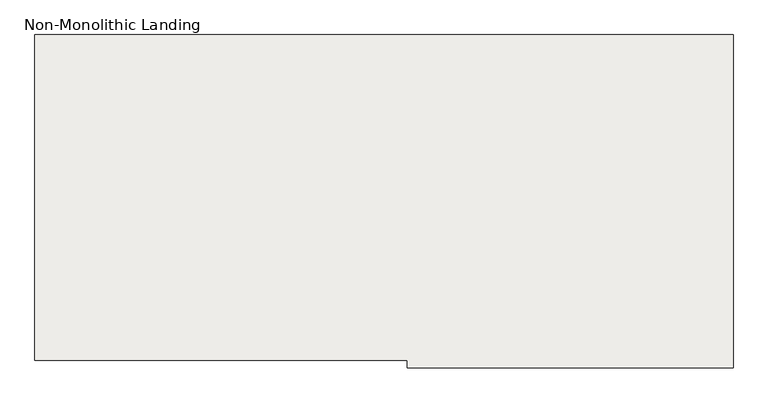
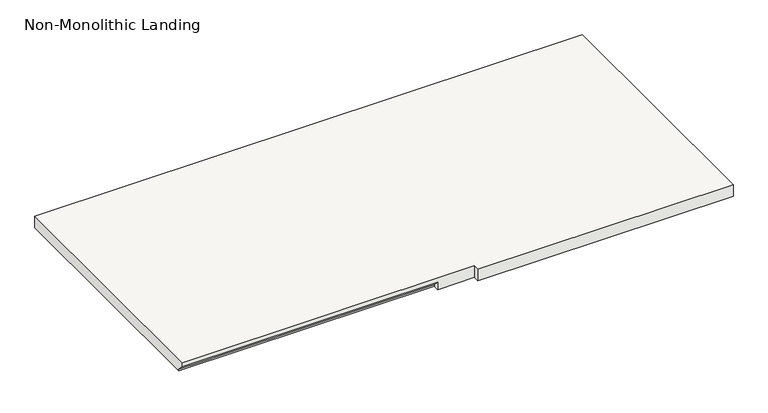
"""IFC4 building model written with IfcOpenShell, lengths in millimetres: slab geometry, Non-Monolithic Landing."""

from ifc_helpers import new_model, si_unit, origin, place, context, project, spatial, faceted_brep, source, transform, mapped, element, save


def non_monolithic_landing_fa8c4509(model_context):
    return source(origin(), model_context, "Body", "Brep", [
        faceted_brep([(36945.4458251, 2469.4295992, 1416.05), (36945.4458251, 2494.8295992, 1390.65), (38012.2458251, 2494.8295992, 1390.65), (38012.2458251, 2469.4295992, 1416.05), (38164.6458251, 2469.4295992, 1435.1), (38164.6458251, 2444.0295992, 1435.1), (39231.4458251, 2444.0295992, 1435.1), (39231.4458251, 2469.4295992, 1435.1), (39231.4458251, 3536.2295992, 1435.1), (36945.4458251, 3536.2295992, 1435.1), (36945.4458251, 2469.4295992, 1435.1), (38012.2458251, 2494.8295992, 1384.3), (36945.4458251, 2494.8295992, 1384.3), (36945.4458251, 3536.2295992, 1384.3), (39231.4458251, 3536.2295992, 1384.3), (39231.4458251, 2469.4295992, 1384.3), (39231.4458251, 2444.0295992, 1384.3), (38164.6458251, 2444.0295992, 1384.3), (38164.6458251, 2469.4295992, 1384.3), (38012.2458251, 2469.4295992, 1384.3)], [[[0, 1, 2, 3]], [[4, 5, 6, 7, 8, 9, 10]], [[11, 12, 13, 14, 15, 16, 17, 18, 19]], [[12, 11, 2, 1]], [[11, 19, 3, 2]], [[4, 10, 0, 3, 19, 18]], [[5, 4, 18, 17]], [[6, 5, 17, 16]], [[7, 6, 16, 15]], [[8, 7, 15, 14]], [[9, 8, 14, 13]], [[10, 9, 13, 12, 1, 0]]]),
    ])


if __name__ == "__main__":
    model = new_model("IFC4")
    model_context = context("Model", 3, world=origin())
    ifc_project = project(units=[si_unit("LENGTHUNIT", "METRE", prefix="MILLI")], contexts=[model_context])
    site = spatial("IfcSite", under=ifc_project)
    building = spatial("IfcBuilding", under=site)
    placement = place(None, origin())
    non_monolithic_landing_shape = non_monolithic_landing_fa8c4509(model_context)
    element("IfcSlab", 1, ObjectType="Non-Monolithic Landing", at=placement, inside=building, context=model_context, shape_type="MappedRepresentation", body=[
        mapped(non_monolithic_landing_shape, transform((0.0, 0.0, 0.0), x_axis=(1.0, 0.0, 0.0), y_axis=(0.0, 1.0, 0.0), z_axis=(0.0, 0.0, 1.0))),
    ])
    save(model, "model.ifc")
